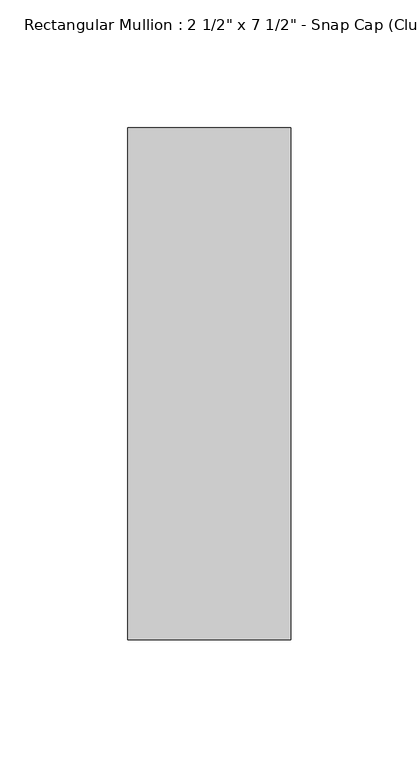
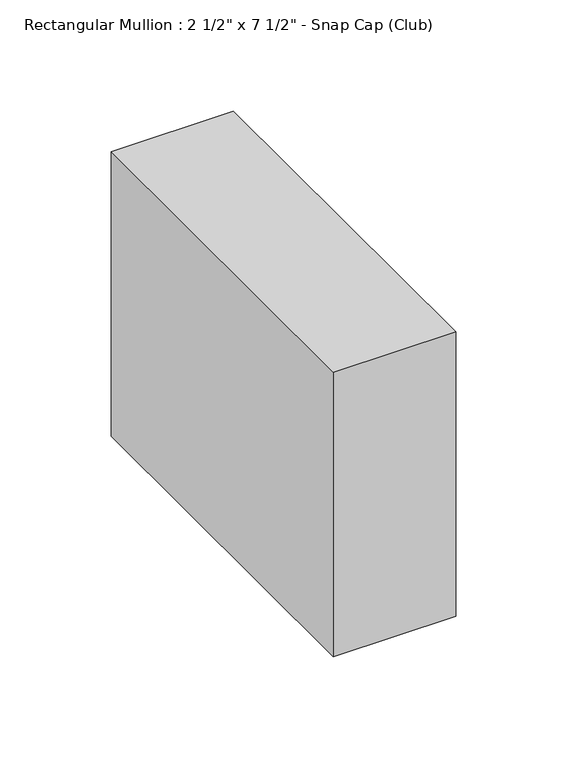
"""IFC4 building model written with IfcOpenShell, lengths in millimetres: member geometry."""

from ifc_helpers import new_model, si_unit, frame, origin, place, context, project, spatial, polyline, outline, extrude, source, transform, mapped, element, save


def member_0222010d(model_context):
    return source(origin(), model_context, "Body", "SweptSolid", [
        extrude(outline(polyline([(31.75, 25.8), (31.75, -174.2), (-31.75, -174.2), (-31.75, 25.8), (31.75, 25.8)])), frame((0.0, 0.0, -156.2598214), z_axis=(0.0, 0.0, 1.0), x_axis=(1.0, 0.0, 0.0)), (0.0, 0.0, 1.0), 156.2598214),
    ])


if __name__ == "__main__":
    model = new_model("IFC4")
    model_context = context("Model", 3, world=origin())
    ifc_project = project(units=[si_unit("LENGTHUNIT", "METRE", prefix="MILLI")], contexts=[model_context])
    site = spatial("IfcSite", under=ifc_project)
    building = spatial("IfcBuilding", under=site)
    placement = place(None, origin())
    member_shape = member_0222010d(model_context)
    element("IfcMember", 1, ObjectType="Rectangular Mullion : 2 1/2\" x 7 1/2\" - Snap Cap (Club)", at=placement, inside=building, context=model_context, shape_type="MappedRepresentation", body=[
        mapped(member_shape, transform((0.0, 0.0, 0.0), x_axis=(1.0, 0.0, 0.0), y_axis=(0.0, 1.0, 0.0), z_axis=(0.0, 0.0, 1.0))),
    ])
    save(model, "model.ifc")
